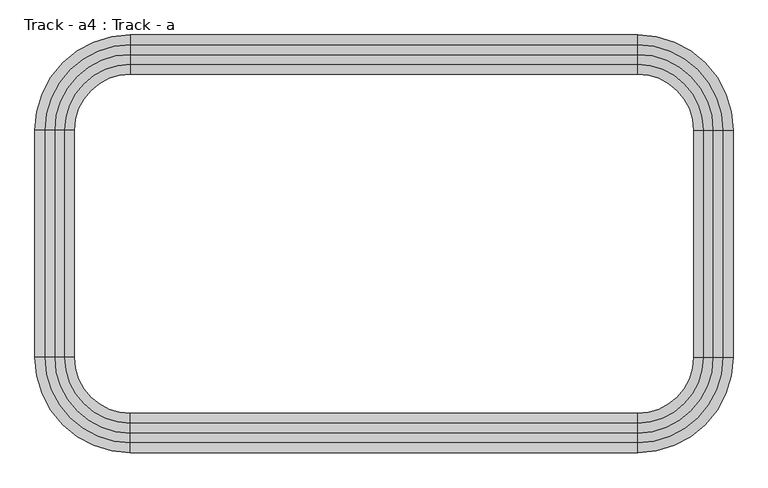
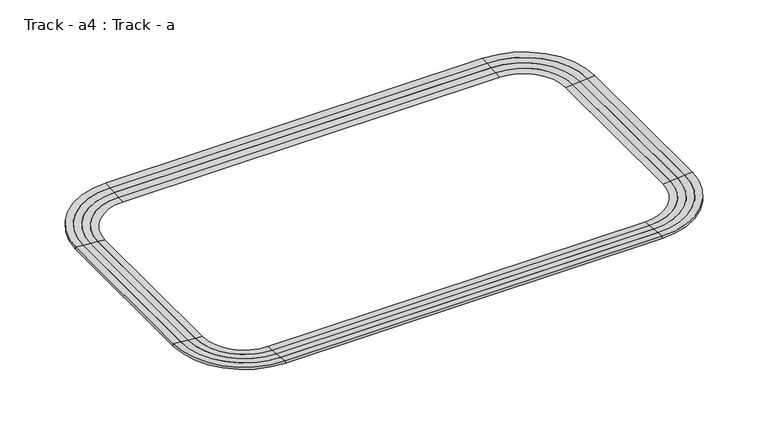
"""IFC4 building model written with IfcOpenShell, lengths in millimetres: proxy geometry, Track - a4 : Track - a."""

from ifc_helpers import new_model, si_unit, frame, origin, place, context, project, spatial, polyline, circle_curve, source, transform, mapped, element, save
from ifc_brep_helpers import plane_surface, cylinder_surface, revolved_surface, advanced_brep


def track_a4_track_a_e07d0398(model_context):
    return source(origin(), model_context, "Body", "AdvancedBrep", [
        advanced_brep(
        [(660496.6254676, -259969.8080223, 4775.2), (650133.4254676, -249606.6080223, 4775.2), (650133.4254676, -250673.4080223, 4686.3), (659429.8254676, -259969.8080223, 4686.3), (660496.6254676, -259969.8080223, 4419.6), (650133.4254676, -249606.6080223, 4419.6), (650133.4254676, -250673.4080223, 4419.6), (659429.8254676, -259969.8080223, 4419.6), (659429.8254676, -284658.6080223, 4686.3), (660496.6254676, -284658.6080223, 4775.2), (660496.6254676, -284658.6080223, 4419.6), (659429.8254676, -284658.6080223, 4419.6), (650133.4254676, -295021.8080223, 4775.2), (650133.4254676, -293955.0080223, 4686.3), (650133.4254676, -295021.8080223, 4419.6), (650133.4254676, -293955.0080223, 4419.6), (594964.6254676, -293955.0080223, 4686.3), (594964.6254676, -295021.8080223, 4775.2), (594964.6254676, -295021.8080223, 4419.6), (594964.6254676, -293955.0080223, 4419.6), (584601.4254676, -284658.6080223, 4775.2), (585668.2254676, -284658.6080223, 4686.3), (584601.4254676, -284658.6080223, 4419.6), (585668.2254676, -284658.6080223, 4419.6), (585668.2254676, -259969.8080223, 4686.3), (584601.4254676, -259969.8080223, 4775.2), (584601.4254676, -259969.8080223, 4419.6), (585668.2254676, -259969.8080223, 4419.6), (594964.6254676, -249606.6080223, 4775.2), (594964.6254676, -250673.4080223, 4686.3), (594964.6254676, -249606.6080223, 4419.6), (594964.6254676, -250673.4080223, 4419.6)],
        [
            (0, 1, circle_curve(frame((650133.4254676, -259969.8080223, 4775.2), z_axis=(0.0, 0.0, 1.0), x_axis=(0.0, 1.0, 0.0)), 10363.2)),
            (1, 2),
            (2, 3, circle_curve(frame((650133.4254676, -259969.8080223, 4686.3), z_axis=(0.0, 0.0, -1.0), x_axis=(0.0, 1.0, 0.0)), 9296.4)),
            (3, 0),
            (4, 5, circle_curve(frame((650133.4254676, -259969.8080223, 4419.6), z_axis=(0.0, 0.0, 1.0), x_axis=(0.0, 1.0, 0.0)), 10363.2)),
            (5, 1),
            (0, 4),
            (2, 6),
            (6, 7, circle_curve(frame((650133.4254676, -259969.8080223, 4419.6), z_axis=(0.0, 0.0, -1.0), x_axis=(0.0, 1.0, 0.0)), 9296.4)),
            (7, 3),
            (3, 8),
            (8, 9),
            (9, 0),
            (9, 10),
            (10, 4),
            (7, 11),
            (11, 8),
            (12, 9, circle_curve(frame((650133.4254676, -284658.6080223, 4775.2), z_axis=(0.0, 0.0, 1.0), x_axis=(1.0, 0.0, 0.0)), 10363.2)),
            (8, 13, circle_curve(frame((650133.4254676, -284658.6080223, 4686.3), z_axis=(0.0, 0.0, -1.0), x_axis=(1.0, 0.0, 0.0)), 9296.4)),
            (13, 12),
            (14, 10, circle_curve(frame((650133.4254676, -284658.6080223, 4419.6), z_axis=(0.0, 0.0, 1.0), x_axis=(1.0, 0.0, 0.0)), 10363.2)),
            (12, 14),
            (11, 15, circle_curve(frame((650133.4254676, -284658.6080223, 4419.6), z_axis=(0.0, 0.0, -1.0), x_axis=(1.0, 0.0, 0.0)), 9296.4)),
            (15, 13),
            (13, 16),
            (16, 17),
            (17, 12),
            (17, 18),
            (18, 14),
            (15, 19),
            (19, 16),
            (20, 17, circle_curve(frame((594964.6254676, -284658.6080223, 4775.2), z_axis=(0.0, 0.0, 1.0), x_axis=(0.0, -1.0, 0.0)), 10363.2)),
            (16, 21, circle_curve(frame((594964.6254676, -284658.6080223, 4686.3), z_axis=(0.0, 0.0, -1.0), x_axis=(0.0, -1.0, 0.0)), 9296.4)),
            (21, 20),
            (22, 18, circle_curve(frame((594964.6254676, -284658.6080223, 4419.6), z_axis=(0.0, 0.0, 1.0), x_axis=(0.0, -1.0, 0.0)), 10363.2)),
            (20, 22),
            (19, 23, circle_curve(frame((594964.6254676, -284658.6080223, 4419.6), z_axis=(0.0, 0.0, -1.0), x_axis=(0.0, -1.0, 0.0)), 9296.4)),
            (23, 21),
            (21, 24),
            (24, 25),
            (25, 20),
            (25, 26),
            (26, 22),
            (23, 27),
            (27, 24),
            (28, 25, circle_curve(frame((594964.6254676, -259969.8080223, 4775.2), z_axis=(0.0, 0.0, 1.0), x_axis=(-1.0, 0.0, 0.0)), 10363.2)),
            (24, 29, circle_curve(frame((594964.6254676, -259969.8080223, 4686.3), z_axis=(0.0, 0.0, -1.0), x_axis=(-1.0, 0.0, 0.0)), 9296.4)),
            (29, 28),
            (30, 26, circle_curve(frame((594964.6254676, -259969.8080223, 4419.6), z_axis=(0.0, 0.0, 1.0), x_axis=(-1.0, 0.0, 0.0)), 10363.2)),
            (28, 30),
            (27, 31, circle_curve(frame((594964.6254676, -259969.8080223, 4419.6), z_axis=(0.0, 0.0, -1.0), x_axis=(-1.0, 0.0, 0.0)), 9296.4)),
            (31, 29),
            (29, 2),
            (1, 28),
            (5, 30),
            (6, 31),
        ],
        [
            revolved_surface(polyline([(650133.4254676, -250673.4080223, 4686.3), (650133.4254676, -249606.6080223, 4775.2)]), (650133.4254676, -259969.8080223, 0.0), (0.0, 0.0, -1.0)),
            cylinder_surface(frame((650133.4254676, -259969.8080223, 0.0), z_axis=(0.0, 0.0, -1.0), x_axis=(0.0, 1.0, 0.0)), 10363.2),
            revolved_surface(polyline([(650133.4254676, -250673.40802230002, 4419.6), (650133.4254676, -250673.40802230002, 4686.3)]), (650133.4254676, -259969.8080223, 0.0), (0.0, 0.0, -1.0)),
            plane_surface(frame((659429.8254676, -259969.8080223, 4686.3), z_axis=(-0.08304547985373159, 0.0, 0.9965457582448803), x_axis=(0.0, -1.0, 0.0))),
            plane_surface(frame((660496.6254676, -259969.8080223, 4775.2), z_axis=(1.0, 0.0, 0.0), x_axis=(0.0, -1.0, 0.0))),
            plane_surface(frame((659429.8254676, -259969.8080223, 4419.6), z_axis=(-1.0, 0.0, 0.0), x_axis=(0.0, -1.0, 0.0))),
            revolved_surface(polyline([(659429.8254676, -284658.6080223, 4686.3), (660496.6254676, -284658.6080223, 4775.2)]), (650133.4254676, -284658.6080223, 0.0), (0.0, 0.0, -1.0)),
            cylinder_surface(frame((650133.4254676, -284658.6080223, 0.0), z_axis=(0.0, 0.0, -1.0), x_axis=(1.0, 0.0, 0.0)), 10363.2),
            revolved_surface(polyline([(659429.8254676, -284658.6080223, 4419.6), (659429.8254676, -284658.6080223, 4686.3)]), (650133.4254676, -284658.6080223, 0.0), (0.0, 0.0, -1.0)),
            plane_surface(frame((650133.4254676, -293955.0080223, 4686.3), z_axis=(0.0, 0.08304547985373159, 0.9965457582448803), x_axis=(-1.0, 0.0, 0.0))),
            plane_surface(frame((650133.4254676, -295021.8080223, 4775.2), z_axis=(0.0, -1.0, 0.0), x_axis=(-1.0, 0.0, 0.0))),
            plane_surface(frame((650133.4254676, -293955.0080223, 4419.6), z_axis=(0.0, 1.0, 0.0), x_axis=(-1.0, 0.0, 0.0))),
            revolved_surface(polyline([(594964.6254676, -293955.0080223, 4686.3), (594964.6254676, -295021.8080223, 4775.2)]), (594964.6254676, -284658.6080223, 0.0), (0.0, 0.0, -1.0)),
            cylinder_surface(frame((594964.6254676, -284658.6080223, 0.0), z_axis=(0.0, 0.0, -1.0), x_axis=(0.0, -1.0, 0.0)), 10363.2),
            revolved_surface(polyline([(594964.6254676, -293955.0080223, 4419.6), (594964.6254676, -293955.0080223, 4686.3)]), (594964.6254676, -284658.6080223, 0.0), (0.0, 0.0, -1.0)),
            plane_surface(frame((585668.2254676, -284658.6080223, 4686.3), z_axis=(0.08304547985373159, 0.0, 0.9965457582448803), x_axis=(0.0, 1.0, 0.0))),
            plane_surface(frame((584601.4254676, -284658.6080223, 4775.2), z_axis=(-1.0, 0.0, 0.0), x_axis=(0.0, 1.0, 0.0))),
            plane_surface(frame((585668.2254676, -284658.6080223, 4419.6), z_axis=(1.0, 0.0, 0.0), x_axis=(0.0, 1.0, 0.0))),
            revolved_surface(polyline([(585668.2254676, -259969.8080223, 4686.3), (584601.4254676, -259969.8080223, 4775.2)]), (594964.6254676, -259969.8080223, 0.0), (0.0, 0.0, -1.0)),
            cylinder_surface(frame((594964.6254676, -259969.8080223, 0.0), z_axis=(0.0, 0.0, -1.0), x_axis=(-1.0, 0.0, 0.0)), 10363.2),
            revolved_surface(polyline([(585668.2254675999, -259969.8080223, 4419.6), (585668.2254675999, -259969.8080223, 4686.3)]), (594964.6254676, -259969.8080223, 0.0), (0.0, 0.0, -1.0)),
            plane_surface(frame((594964.6254676, -250673.4080223, 4686.3), z_axis=(0.0, -0.08304547985373159, 0.9965457582448803), x_axis=(1.0, 0.0, 0.0))),
            plane_surface(frame((594964.6254676, -249606.6080223, 4775.2), z_axis=(0.0, 1.0, 0.0), x_axis=(1.0, 0.0, 0.0))),
            plane_surface(frame((594964.6254676, -249606.6080223, 4419.6), z_axis=(0.0, 0.0, -1.0), x_axis=(1.0, 0.0, 0.0))),
            plane_surface(frame((594964.6254676, -250673.4080223, 4419.6), z_axis=(0.0, -1.0, 0.0), x_axis=(1.0, 0.0, 0.0))),
        ],
        [
            (0, [[1, 2, 3, 4]]),
            (1, [[5, 6, -1, 7]]),
            (2, [[-3, 8, 9, 10]]),
            (3, [[-4, 11, 12, 13]]),
            (4, [[-7, -13, 14, 15]]),
            (5, [[-10, 16, 17, -11]]),
            (6, [[18, -12, 19, 20]]),
            (7, [[21, -14, -18, 22]]),
            (8, [[-19, -17, 23, 24]]),
            (9, [[-20, 25, 26, 27]]),
            (10, [[-22, -27, 28, 29]]),
            (11, [[-24, 30, 31, -25]]),
            (12, [[32, -26, 33, 34]]),
            (13, [[35, -28, -32, 36]]),
            (14, [[-33, -31, 37, 38]]),
            (15, [[-34, 39, 40, 41]]),
            (16, [[-36, -41, 42, 43]]),
            (17, [[-38, 44, 45, -39]]),
            (18, [[46, -40, 47, 48]]),
            (19, [[49, -42, -46, 50]]),
            (20, [[-47, -45, 51, 52]]),
            (21, [[-48, 53, -2, 54]]),
            (22, [[-50, -54, -6, 55]]),
            (23, [[-43, -49, -55, -5, -15, -21, -29, -35], [56, -51, -44, -37, -30, -23, -16, -9]]),
            (24, [[-52, -56, -8, -53]]),
        ],
    ),
        advanced_brep(
        [(659429.8254676, -259969.8080223, 4686.3), (650133.4254676, -250673.4080223, 4686.3), (650133.4254676, -251740.2080223, 4597.4), (658363.0254676, -259969.8080223, 4597.4), (659429.8254676, -259969.8080223, 4419.6), (650133.4254676, -250673.4080223, 4419.6), (650133.4254676, -251740.2080223, 4419.6), (658363.0254676, -259969.8080223, 4419.6), (658363.0254676, -284658.6080223, 4597.4), (659429.8254676, -284658.6080223, 4686.3), (659429.8254676, -284658.6080223, 4419.6), (658363.0254676, -284658.6080223, 4419.6), (650133.4254676, -293955.0080223, 4686.3), (650133.4254676, -292888.2080223, 4597.4), (650133.4254676, -293955.0080223, 4419.6), (650133.4254676, -292888.2080223, 4419.6), (594964.6254676, -292888.2080223, 4597.4), (594964.6254676, -293955.0080223, 4686.3), (594964.6254676, -293955.0080223, 4419.6), (594964.6254676, -292888.2080223, 4419.6), (585668.2254676, -284658.6080223, 4686.3), (586735.0254676, -284658.6080223, 4597.4), (585668.2254676, -284658.6080223, 4419.6), (586735.0254676, -284658.6080223, 4419.6), (586735.0254676, -259969.8080223, 4597.4), (585668.2254676, -259969.8080223, 4686.3), (585668.2254676, -259969.8080223, 4419.6), (586735.0254676, -259969.8080223, 4419.6), (594964.6254676, -250673.4080223, 4686.3), (594964.6254676, -251740.2080223, 4597.4), (594964.6254676, -250673.4080223, 4419.6), (594964.6254676, -251740.2080223, 4419.6)],
        [
            (0, 1, circle_curve(frame((650133.4254676, -259969.8080223, 4686.3), z_axis=(0.0, 0.0, 1.0), x_axis=(0.0, 1.0, 0.0)), 9296.4)),
            (1, 2),
            (2, 3, circle_curve(frame((650133.4254676, -259969.8080223, 4597.4), z_axis=(0.0, 0.0, -1.0), x_axis=(0.0, 1.0, 0.0)), 8229.6)),
            (3, 0),
            (4, 5, circle_curve(frame((650133.4254676, -259969.8080223, 4419.6), z_axis=(0.0, 0.0, 1.0), x_axis=(0.0, 1.0, 0.0)), 9296.4)),
            (5, 1),
            (0, 4),
            (2, 6),
            (6, 7, circle_curve(frame((650133.4254676, -259969.8080223, 4419.6), z_axis=(0.0, 0.0, -1.0), x_axis=(0.0, 1.0, 0.0)), 8229.6)),
            (7, 3),
            (3, 8),
            (8, 9),
            (9, 0),
            (9, 10),
            (10, 4),
            (7, 11),
            (11, 8),
            (12, 9, circle_curve(frame((650133.4254676, -284658.6080223, 4686.3), z_axis=(0.0, 0.0, 1.0), x_axis=(1.0, 0.0, 0.0)), 9296.4)),
            (8, 13, circle_curve(frame((650133.4254676, -284658.6080223, 4597.4), z_axis=(0.0, 0.0, -1.0), x_axis=(1.0, 0.0, 0.0)), 8229.6)),
            (13, 12),
            (14, 10, circle_curve(frame((650133.4254676, -284658.6080223, 4419.6), z_axis=(0.0, 0.0, 1.0), x_axis=(1.0, 0.0, 0.0)), 9296.4)),
            (12, 14),
            (11, 15, circle_curve(frame((650133.4254676, -284658.6080223, 4419.6), z_axis=(0.0, 0.0, -1.0), x_axis=(1.0, 0.0, 0.0)), 8229.6)),
            (15, 13),
            (13, 16),
            (16, 17),
            (17, 12),
            (17, 18),
            (18, 14),
            (15, 19),
            (19, 16),
            (20, 17, circle_curve(frame((594964.6254676, -284658.6080223, 4686.3), z_axis=(0.0, 0.0, 1.0), x_axis=(0.0, -1.0, 0.0)), 9296.4)),
            (16, 21, circle_curve(frame((594964.6254676, -284658.6080223, 4597.4), z_axis=(0.0, 0.0, -1.0), x_axis=(0.0, -1.0, 0.0)), 8229.6)),
            (21, 20),
            (22, 18, circle_curve(frame((594964.6254676, -284658.6080223, 4419.6), z_axis=(0.0, 0.0, 1.0), x_axis=(0.0, -1.0, 0.0)), 9296.4)),
            (20, 22),
            (19, 23, circle_curve(frame((594964.6254676, -284658.6080223, 4419.6), z_axis=(0.0, 0.0, -1.0), x_axis=(0.0, -1.0, 0.0)), 8229.6)),
            (23, 21),
            (21, 24),
            (24, 25),
            (25, 20),
            (25, 26),
            (26, 22),
            (23, 27),
            (27, 24),
            (28, 25, circle_curve(frame((594964.6254676, -259969.8080223, 4686.3), z_axis=(0.0, 0.0, 1.0), x_axis=(-1.0, 0.0, 0.0)), 9296.4)),
            (24, 29, circle_curve(frame((594964.6254676, -259969.8080223, 4597.4), z_axis=(0.0, 0.0, -1.0), x_axis=(-1.0, 0.0, 0.0)), 8229.6)),
            (29, 28),
            (30, 26, circle_curve(frame((594964.6254676, -259969.8080223, 4419.6), z_axis=(0.0, 0.0, 1.0), x_axis=(-1.0, 0.0, 0.0)), 9296.4)),
            (28, 30),
            (27, 31, circle_curve(frame((594964.6254676, -259969.8080223, 4419.6), z_axis=(0.0, 0.0, -1.0), x_axis=(-1.0, 0.0, 0.0)), 8229.6)),
            (31, 29),
            (29, 2),
            (1, 28),
            (5, 30),
            (6, 31),
        ],
        [
            revolved_surface(polyline([(650133.4254676, -251740.2080223, 4597.4), (650133.4254676, -250673.4080223, 4686.3)]), (650133.4254676, -259969.8080223, 0.0), (0.0, 0.0, -1.0)),
            cylinder_surface(frame((650133.4254676, -259969.8080223, 0.0), z_axis=(0.0, 0.0, -1.0), x_axis=(0.0, 1.0, 0.0)), 9296.4),
            revolved_surface(polyline([(650133.4254676, -251740.2080223, 4419.6), (650133.4254676, -251740.2080223, 4597.4)]), (650133.4254676, -259969.8080223, 0.0), (0.0, 0.0, -1.0)),
            plane_surface(frame((658363.0254676, -259969.8080223, 4597.4), z_axis=(-0.08304547985373473, 0.0, 0.9965457582448801), x_axis=(0.0, -1.0, 0.0))),
            plane_surface(frame((659429.8254676, -259969.8080223, 4686.3), z_axis=(1.0, 0.0, 0.0), x_axis=(0.0, -1.0, 0.0))),
            plane_surface(frame((658363.0254676, -259969.8080223, 4419.6), z_axis=(-1.0, 0.0, 0.0), x_axis=(0.0, -1.0, 0.0))),
            revolved_surface(polyline([(658363.0254676, -284658.6080223, 4597.4), (659429.8254676, -284658.6080223, 4686.3)]), (650133.4254676, -284658.6080223, 0.0), (0.0, 0.0, -1.0)),
            cylinder_surface(frame((650133.4254676, -284658.6080223, 0.0), z_axis=(0.0, 0.0, -1.0), x_axis=(1.0, 0.0, 0.0)), 9296.4),
            revolved_surface(polyline([(658363.0254676, -284658.6080223, 4419.6), (658363.0254676, -284658.6080223, 4597.4)]), (650133.4254676, -284658.6080223, 0.0), (0.0, 0.0, -1.0)),
            plane_surface(frame((650133.4254676, -292888.2080223, 4597.4), z_axis=(0.0, 0.08304547985373473, 0.9965457582448801), x_axis=(-1.0, 0.0, 0.0))),
            plane_surface(frame((650133.4254676, -293955.0080223, 4686.3), z_axis=(0.0, -1.0, 0.0), x_axis=(-1.0, 0.0, 0.0))),
            plane_surface(frame((650133.4254676, -292888.2080223, 4419.6), z_axis=(0.0, 1.0, 0.0), x_axis=(-1.0, 0.0, 0.0))),
            revolved_surface(polyline([(594964.6254676, -292888.2080223, 4597.4), (594964.6254676, -293955.0080223, 4686.3)]), (594964.6254676, -284658.6080223, 0.0), (0.0, 0.0, -1.0)),
            cylinder_surface(frame((594964.6254676, -284658.6080223, 0.0), z_axis=(0.0, 0.0, -1.0), x_axis=(0.0, -1.0, 0.0)), 9296.4),
            revolved_surface(polyline([(594964.6254676, -292888.2080223, 4419.6), (594964.6254676, -292888.2080223, 4597.4)]), (594964.6254676, -284658.6080223, 0.0), (0.0, 0.0, -1.0)),
            plane_surface(frame((586735.0254676, -284658.6080223, 4597.4), z_axis=(0.08304547985373473, 0.0, 0.9965457582448801), x_axis=(0.0, 1.0, 0.0))),
            plane_surface(frame((585668.2254676, -284658.6080223, 4686.3), z_axis=(-1.0, 0.0, 0.0), x_axis=(0.0, 1.0, 0.0))),
            plane_surface(frame((586735.0254676, -284658.6080223, 4419.6), z_axis=(1.0, 0.0, 0.0), x_axis=(0.0, 1.0, 0.0))),
            revolved_surface(polyline([(586735.0254676, -259969.8080223, 4597.4), (585668.2254676, -259969.8080223, 4686.3)]), (594964.6254676, -259969.8080223, 0.0), (0.0, 0.0, -1.0)),
            cylinder_surface(frame((594964.6254676, -259969.8080223, 0.0), z_axis=(0.0, 0.0, -1.0), x_axis=(-1.0, 0.0, 0.0)), 9296.4),
            revolved_surface(polyline([(586735.0254676, -259969.8080223, 4419.6), (586735.0254676, -259969.8080223, 4597.4)]), (594964.6254676, -259969.8080223, 0.0), (0.0, 0.0, -1.0)),
            plane_surface(frame((594964.6254676, -251740.2080223, 4597.4), z_axis=(0.0, -0.08304547985373473, 0.9965457582448801), x_axis=(1.0, 0.0, 0.0))),
            plane_surface(frame((594964.6254676, -250673.4080223, 4686.3), z_axis=(0.0, 1.0, 0.0), x_axis=(1.0, 0.0, 0.0))),
            plane_surface(frame((594964.6254676, -250673.4080223, 4419.6), z_axis=(0.0, 0.0, -1.0), x_axis=(1.0, 0.0, 0.0))),
            plane_surface(frame((594964.6254676, -251740.2080223, 4419.6), z_axis=(0.0, -1.0, 0.0), x_axis=(1.0, 0.0, 0.0))),
        ],
        [
            (0, [[1, 2, 3, 4]]),
            (1, [[5, 6, -1, 7]]),
            (2, [[-3, 8, 9, 10]]),
            (3, [[-4, 11, 12, 13]]),
            (4, [[-7, -13, 14, 15]]),
            (5, [[-10, 16, 17, -11]]),
            (6, [[18, -12, 19, 20]]),
            (7, [[21, -14, -18, 22]]),
            (8, [[-19, -17, 23, 24]]),
            (9, [[-20, 25, 26, 27]]),
            (10, [[-22, -27, 28, 29]]),
            (11, [[-24, 30, 31, -25]]),
            (12, [[32, -26, 33, 34]]),
            (13, [[35, -28, -32, 36]]),
            (14, [[-33, -31, 37, 38]]),
            (15, [[-34, 39, 40, 41]]),
            (16, [[-36, -41, 42, 43]]),
            (17, [[-38, 44, 45, -39]]),
            (18, [[46, -40, 47, 48]]),
            (19, [[49, -42, -46, 50]]),
            (20, [[-47, -45, 51, 52]]),
            (21, [[-48, 53, -2, 54]]),
            (22, [[-50, -54, -6, 55]]),
            (23, [[-43, -49, -55, -5, -15, -21, -29, -35], [56, -51, -44, -37, -30, -23, -16, -9]]),
            (24, [[-52, -56, -8, -53]]),
        ],
    ),
        advanced_brep(
        [(658363.0254676, -259969.8080223, 4597.4), (650133.4254676, -251740.2080223, 4597.4), (650133.4254676, -252807.0080223, 4508.5), (657296.2254676, -259969.8080223, 4508.5), (658363.0254676, -259969.8080223, 4419.6), (650133.4254676, -251740.2080223, 4419.6), (650133.4254676, -252807.0080223, 4419.6), (657296.2254676, -259969.8080223, 4419.6), (657296.2254676, -284658.6080223, 4508.5), (658363.0254676, -284658.6080223, 4597.4), (658363.0254676, -284658.6080223, 4419.6), (657296.2254676, -284658.6080223, 4419.6), (650133.4254676, -292888.2080223, 4597.4), (650133.4254676, -291821.4080223, 4508.5), (650133.4254676, -292888.2080223, 4419.6), (650133.4254676, -291821.4080223, 4419.6), (594964.6254676, -291821.4080223, 4508.5), (594964.6254676, -292888.2080223, 4597.4), (594964.6254676, -292888.2080223, 4419.6), (594964.6254676, -291821.4080223, 4419.6), (586735.0254676, -284658.6080223, 4597.4), (587801.8254676, -284658.6080223, 4508.5), (586735.0254676, -284658.6080223, 4419.6), (587801.8254676, -284658.6080223, 4419.6), (587801.8254676, -259969.8080223, 4508.5), (586735.0254676, -259969.8080223, 4597.4), (586735.0254676, -259969.8080223, 4419.6), (587801.8254676, -259969.8080223, 4419.6), (594964.6254676, -251740.2080223, 4597.4), (594964.6254676, -252807.0080223, 4508.5), (594964.6254676, -251740.2080223, 4419.6), (594964.6254676, -252807.0080223, 4419.6)],
        [
            (0, 1, circle_curve(frame((650133.4254676, -259969.8080223, 4597.4), z_axis=(0.0, 0.0, 1.0), x_axis=(0.0, 1.0, 0.0)), 8229.6)),
            (1, 2),
            (2, 3, circle_curve(frame((650133.4254676, -259969.8080223, 4508.5), z_axis=(0.0, 0.0, -1.0), x_axis=(0.0, 1.0, 0.0)), 7162.8)),
            (3, 0),
            (4, 5, circle_curve(frame((650133.4254676, -259969.8080223, 4419.6), z_axis=(0.0, 0.0, 1.0), x_axis=(0.0, 1.0, 0.0)), 8229.6)),
            (5, 1),
            (0, 4),
            (2, 6),
            (6, 7, circle_curve(frame((650133.4254676, -259969.8080223, 4419.6), z_axis=(0.0, 0.0, -1.0), x_axis=(0.0, 1.0, 0.0)), 7162.8)),
            (7, 3),
            (3, 8),
            (8, 9),
            (9, 0),
            (9, 10),
            (10, 4),
            (7, 11),
            (11, 8),
            (12, 9, circle_curve(frame((650133.4254676, -284658.6080223, 4597.4), z_axis=(0.0, 0.0, 1.0), x_axis=(1.0, 0.0, 0.0)), 8229.6)),
            (8, 13, circle_curve(frame((650133.4254676, -284658.6080223, 4508.5), z_axis=(0.0, 0.0, -1.0), x_axis=(1.0, 0.0, 0.0)), 7162.8)),
            (13, 12),
            (14, 10, circle_curve(frame((650133.4254676, -284658.6080223, 4419.6), z_axis=(0.0, 0.0, 1.0), x_axis=(1.0, 0.0, 0.0)), 8229.6)),
            (12, 14),
            (11, 15, circle_curve(frame((650133.4254676, -284658.6080223, 4419.6), z_axis=(0.0, 0.0, -1.0), x_axis=(1.0, 0.0, 0.0)), 7162.8)),
            (15, 13),
            (13, 16),
            (16, 17),
            (17, 12),
            (17, 18),
            (18, 14),
            (15, 19),
            (19, 16),
            (20, 17, circle_curve(frame((594964.6254676, -284658.6080223, 4597.4), z_axis=(0.0, 0.0, 1.0), x_axis=(0.0, -1.0, 0.0)), 8229.6)),
            (16, 21, circle_curve(frame((594964.6254676, -284658.6080223, 4508.5), z_axis=(0.0, 0.0, -1.0), x_axis=(0.0, -1.0, 0.0)), 7162.8)),
            (21, 20),
            (22, 18, circle_curve(frame((594964.6254676, -284658.6080223, 4419.6), z_axis=(0.0, 0.0, 1.0), x_axis=(0.0, -1.0, 0.0)), 8229.6)),
            (20, 22),
            (19, 23, circle_curve(frame((594964.6254676, -284658.6080223, 4419.6), z_axis=(0.0, 0.0, -1.0), x_axis=(0.0, -1.0, 0.0)), 7162.8)),
            (23, 21),
            (21, 24),
            (24, 25),
            (25, 20),
            (25, 26),
            (26, 22),
            (23, 27),
            (27, 24),
            (28, 25, circle_curve(frame((594964.6254676, -259969.8080223, 4597.4), z_axis=(0.0, 0.0, 1.0), x_axis=(-1.0, 0.0, 0.0)), 8229.6)),
            (24, 29, circle_curve(frame((594964.6254676, -259969.8080223, 4508.5), z_axis=(0.0, 0.0, -1.0), x_axis=(-1.0, 0.0, 0.0)), 7162.8)),
            (29, 28),
            (30, 26, circle_curve(frame((594964.6254676, -259969.8080223, 4419.6), z_axis=(0.0, 0.0, 1.0), x_axis=(-1.0, 0.0, 0.0)), 8229.6)),
            (28, 30),
            (27, 31, circle_curve(frame((594964.6254676, -259969.8080223, 4419.6), z_axis=(0.0, 0.0, -1.0), x_axis=(-1.0, 0.0, 0.0)), 7162.8)),
            (31, 29),
            (29, 2),
            (1, 28),
            (5, 30),
            (6, 31),
        ],
        [
            revolved_surface(polyline([(650133.4254676, -252807.0080223, 4508.5), (650133.4254676, -251740.2080223, 4597.4)]), (650133.4254676, -259969.8080223, 0.0), (0.0, 0.0, -1.0)),
            cylinder_surface(frame((650133.4254676, -259969.8080223, 0.0), z_axis=(0.0, 0.0, -1.0), x_axis=(0.0, 1.0, 0.0)), 8229.6),
            revolved_surface(polyline([(650133.4254676, -252807.00802230003, 4419.6), (650133.4254676, -252807.00802230003, 4508.5)]), (650133.4254676, -259969.8080223, 0.0), (0.0, 0.0, -1.0)),
            plane_surface(frame((657296.2254676, -259969.8080223, 4508.5), z_axis=(-0.0830454798537369, 0.0, 0.9965457582448799), x_axis=(0.0, -1.0, 0.0))),
            plane_surface(frame((658363.0254676, -259969.8080223, 4597.4), z_axis=(1.0, 0.0, 0.0), x_axis=(0.0, -1.0, 0.0))),
            plane_surface(frame((657296.2254676, -259969.8080223, 4419.6), z_axis=(-1.0, 0.0, 0.0), x_axis=(0.0, -1.0, 0.0))),
            revolved_surface(polyline([(657296.2254676, -284658.6080223, 4508.5), (658363.0254676, -284658.6080223, 4597.4)]), (650133.4254676, -284658.6080223, 0.0), (0.0, 0.0, -1.0)),
            cylinder_surface(frame((650133.4254676, -284658.6080223, 0.0), z_axis=(0.0, 0.0, -1.0), x_axis=(1.0, 0.0, 0.0)), 8229.6),
            revolved_surface(polyline([(657296.2254676, -284658.6080223, 4419.6), (657296.2254676, -284658.6080223, 4508.5)]), (650133.4254676, -284658.6080223, 0.0), (0.0, 0.0, -1.0)),
            plane_surface(frame((650133.4254676, -291821.4080223, 4508.5), z_axis=(0.0, 0.0830454798537369, 0.9965457582448799), x_axis=(-1.0, 0.0, 0.0))),
            plane_surface(frame((650133.4254676, -292888.2080223, 4597.4), z_axis=(0.0, -1.0, 0.0), x_axis=(-1.0, 0.0, 0.0))),
            plane_surface(frame((650133.4254676, -291821.4080223, 4419.6), z_axis=(0.0, 1.0, 0.0), x_axis=(-1.0, 0.0, 0.0))),
            revolved_surface(polyline([(594964.6254676, -291821.4080223, 4508.5), (594964.6254676, -292888.2080223, 4597.4)]), (594964.6254676, -284658.6080223, 0.0), (0.0, 0.0, -1.0)),
            cylinder_surface(frame((594964.6254676, -284658.6080223, 0.0), z_axis=(0.0, 0.0, -1.0), x_axis=(0.0, -1.0, 0.0)), 8229.6),
            revolved_surface(polyline([(594964.6254676, -291821.4080223, 4419.6), (594964.6254676, -291821.4080223, 4508.5)]), (594964.6254676, -284658.6080223, 0.0), (0.0, 0.0, -1.0)),
            plane_surface(frame((587801.8254676, -284658.6080223, 4508.5), z_axis=(0.0830454798537369, 0.0, 0.9965457582448799), x_axis=(0.0, 1.0, 0.0))),
            plane_surface(frame((586735.0254676, -284658.6080223, 4597.4), z_axis=(-1.0, 0.0, 0.0), x_axis=(0.0, 1.0, 0.0))),
            plane_surface(frame((587801.8254676, -284658.6080223, 4419.6), z_axis=(1.0, 0.0, 0.0), x_axis=(0.0, 1.0, 0.0))),
            revolved_surface(polyline([(587801.8254676, -259969.8080223, 4508.5), (586735.0254676, -259969.8080223, 4597.4)]), (594964.6254676, -259969.8080223, 0.0), (0.0, 0.0, -1.0)),
            cylinder_surface(frame((594964.6254676, -259969.8080223, 0.0), z_axis=(0.0, 0.0, -1.0), x_axis=(-1.0, 0.0, 0.0)), 8229.6),
            revolved_surface(polyline([(587801.8254675999, -259969.8080223, 4419.6), (587801.8254675999, -259969.8080223, 4508.5)]), (594964.6254676, -259969.8080223, 0.0), (0.0, 0.0, -1.0)),
            plane_surface(frame((594964.6254676, -252807.0080223, 4508.5), z_axis=(0.0, -0.0830454798537369, 0.9965457582448799), x_axis=(1.0, 0.0, 0.0))),
            plane_surface(frame((594964.6254676, -251740.2080223, 4597.4), z_axis=(0.0, 1.0, 0.0), x_axis=(1.0, 0.0, 0.0))),
            plane_surface(frame((594964.6254676, -251740.2080223, 4419.6), z_axis=(0.0, 0.0, -1.0), x_axis=(1.0, 0.0, 0.0))),
            plane_surface(frame((594964.6254676, -252807.0080223, 4419.6), z_axis=(0.0, -1.0, 0.0), x_axis=(1.0, 0.0, 0.0))),
        ],
        [
            (0, [[1, 2, 3, 4]]),
            (1, [[5, 6, -1, 7]]),
            (2, [[-3, 8, 9, 10]]),
            (3, [[-4, 11, 12, 13]]),
            (4, [[-7, -13, 14, 15]]),
            (5, [[-10, 16, 17, -11]]),
            (6, [[18, -12, 19, 20]]),
            (7, [[21, -14, -18, 22]]),
            (8, [[-19, -17, 23, 24]]),
            (9, [[-20, 25, 26, 27]]),
            (10, [[-22, -27, 28, 29]]),
            (11, [[-24, 30, 31, -25]]),
            (12, [[32, -26, 33, 34]]),
            (13, [[35, -28, -32, 36]]),
            (14, [[-33, -31, 37, 38]]),
            (15, [[-34, 39, 40, 41]]),
            (16, [[-36, -41, 42, 43]]),
            (17, [[-38, 44, 45, -39]]),
            (18, [[46, -40, 47, 48]]),
            (19, [[49, -42, -46, 50]]),
            (20, [[-47, -45, 51, 52]]),
            (21, [[-48, 53, -2, 54]]),
            (22, [[-50, -54, -6, 55]]),
            (23, [[-43, -49, -55, -5, -15, -21, -29, -35], [56, -51, -44, -37, -30, -23, -16, -9]]),
            (24, [[-52, -56, -8, -53]]),
        ],
    ),
        advanced_brep(
        [(657296.2254676, -259969.8080223, 4508.5), (650133.4254676, -252807.0080223, 4508.5), (650133.4254676, -253873.8080223, 4419.6), (656229.4254676, -259969.8080223, 4419.6), (657296.2254676, -259969.8080223, 4419.6), (650133.4254676, -252807.0080223, 4419.6), (656229.4254676, -284658.6080223, 4419.6), (657296.2254676, -284658.6080223, 4508.5), (657296.2254676, -284658.6080223, 4419.6), (650133.4254676, -291821.4080223, 4508.5), (650133.4254676, -290754.6080223, 4419.6), (650133.4254676, -291821.4080223, 4419.6), (594964.6254676, -290754.6080223, 4419.6), (594964.6254676, -291821.4080223, 4508.5), (594964.6254676, -291821.4080223, 4419.6), (587801.8254676, -284658.6080223, 4508.5), (588868.6254676, -284658.6080223, 4419.6), (587801.8254676, -284658.6080223, 4419.6), (588868.6254676, -259969.8080223, 4419.6), (587801.8254676, -259969.8080223, 4508.5), (587801.8254676, -259969.8080223, 4419.6), (594964.6254676, -252807.0080223, 4508.5), (594964.6254676, -253873.8080223, 4419.6), (594964.6254676, -252807.0080223, 4419.6)],
        [
            (0, 1, circle_curve(frame((650133.4254676, -259969.8080223, 4508.5), z_axis=(0.0, 0.0, 1.0), x_axis=(0.0, 1.0, 0.0)), 7162.8)),
            (1, 2),
            (2, 3, circle_curve(frame((650133.4254676, -259969.8080223, 4419.6), z_axis=(0.0, 0.0, -1.0), x_axis=(0.0, 1.0, 0.0)), 6096.0)),
            (3, 0),
            (4, 5, circle_curve(frame((650133.4254676, -259969.8080223, 4419.6), z_axis=(0.0, 0.0, 1.0), x_axis=(0.0, 1.0, 0.0)), 7162.8)),
            (5, 1),
            (0, 4),
            (3, 6),
            (6, 7),
            (7, 0),
            (7, 8),
            (8, 4),
            (9, 7, circle_curve(frame((650133.4254676, -284658.6080223, 4508.5), z_axis=(0.0, 0.0, 1.0), x_axis=(1.0, 0.0, 0.0)), 7162.8)),
            (6, 10, circle_curve(frame((650133.4254676, -284658.6080223, 4419.6), z_axis=(0.0, 0.0, -1.0), x_axis=(1.0, 0.0, 0.0)), 6096.0)),
            (10, 9),
            (11, 8, circle_curve(frame((650133.4254676, -284658.6080223, 4419.6), z_axis=(0.0, 0.0, 1.0), x_axis=(1.0, 0.0, 0.0)), 7162.8)),
            (9, 11),
            (10, 12),
            (12, 13),
            (13, 9),
            (13, 14),
            (14, 11),
            (15, 13, circle_curve(frame((594964.6254676, -284658.6080223, 4508.5), z_axis=(0.0, 0.0, 1.0), x_axis=(0.0, -1.0, 0.0)), 7162.8)),
            (12, 16, circle_curve(frame((594964.6254676, -284658.6080223, 4419.6), z_axis=(0.0, 0.0, -1.0), x_axis=(0.0, -1.0, 0.0)), 6096.0)),
            (16, 15),
            (17, 14, circle_curve(frame((594964.6254676, -284658.6080223, 4419.6), z_axis=(0.0, 0.0, 1.0), x_axis=(0.0, -1.0, 0.0)), 7162.8)),
            (15, 17),
            (16, 18),
            (18, 19),
            (19, 15),
            (19, 20),
            (20, 17),
            (21, 19, circle_curve(frame((594964.6254676, -259969.8080223, 4508.5), z_axis=(0.0, 0.0, 1.0), x_axis=(-1.0, 0.0, 0.0)), 7162.8)),
            (18, 22, circle_curve(frame((594964.6254676, -259969.8080223, 4419.6), z_axis=(0.0, 0.0, -1.0), x_axis=(-1.0, 0.0, 0.0)), 6096.0)),
            (22, 21),
            (23, 20, circle_curve(frame((594964.6254676, -259969.8080223, 4419.6), z_axis=(0.0, 0.0, 1.0), x_axis=(-1.0, 0.0, 0.0)), 7162.8)),
            (21, 23),
            (23, 5),
            (2, 22),
            (1, 21),
        ],
        [
            revolved_surface(polyline([(650133.4254676, -253873.8080223, 4419.6), (650133.4254676, -252807.0080223, 4508.5)]), (650133.4254676, -259969.8080223, 0.0), (0.0, 0.0, -1.0)),
            cylinder_surface(frame((650133.4254676, -259969.8080223, 0.0), z_axis=(0.0, 0.0, -1.0), x_axis=(0.0, 1.0, 0.0)), 7162.8),
            plane_surface(frame((656229.4254676, -259969.8080223, 4419.6), z_axis=(-0.08304547985373992, 0.0, 0.9965457582448797), x_axis=(0.0, -1.0, 0.0))),
            plane_surface(frame((657296.2254676, -259969.8080223, 4508.5), z_axis=(1.0, 0.0, 0.0), x_axis=(0.0, -1.0, 0.0))),
            revolved_surface(polyline([(656229.4254676, -284658.6080223, 4419.6), (657296.2254676, -284658.6080223, 4508.5)]), (650133.4254676, -284658.6080223, 0.0), (0.0, 0.0, -1.0)),
            cylinder_surface(frame((650133.4254676, -284658.6080223, 0.0), z_axis=(0.0, 0.0, -1.0), x_axis=(1.0, 0.0, 0.0)), 7162.8),
            plane_surface(frame((650133.4254676, -290754.6080223, 4419.6), z_axis=(0.0, 0.08304547985373992, 0.9965457582448797), x_axis=(-1.0, 0.0, 0.0))),
            plane_surface(frame((650133.4254676, -291821.4080223, 4508.5), z_axis=(0.0, -1.0, 0.0), x_axis=(-1.0, 0.0, 0.0))),
            revolved_surface(polyline([(594964.6254676, -290754.6080223, 4419.6), (594964.6254676, -291821.4080223, 4508.5)]), (594964.6254676, -284658.6080223, 0.0), (0.0, 0.0, -1.0)),
            cylinder_surface(frame((594964.6254676, -284658.6080223, 0.0), z_axis=(0.0, 0.0, -1.0), x_axis=(0.0, -1.0, 0.0)), 7162.8),
            plane_surface(frame((588868.6254676, -284658.6080223, 4419.6), z_axis=(0.08304547985373992, 0.0, 0.9965457582448797), x_axis=(0.0, 1.0, 0.0))),
            plane_surface(frame((587801.8254676, -284658.6080223, 4508.5), z_axis=(-1.0, 0.0, 0.0), x_axis=(0.0, 1.0, 0.0))),
            revolved_surface(polyline([(588868.6254676, -259969.8080223, 4419.6), (587801.8254676, -259969.8080223, 4508.5)]), (594964.6254676, -259969.8080223, 0.0), (0.0, 0.0, -1.0)),
            cylinder_surface(frame((594964.6254676, -259969.8080223, 0.0), z_axis=(0.0, 0.0, -1.0), x_axis=(-1.0, 0.0, 0.0)), 7162.8),
            plane_surface(frame((594964.6254676, -252807.0080223, 4419.6), z_axis=(0.0, 0.0, -1.0), x_axis=(1.0, 0.0, 0.0))),
            plane_surface(frame((594964.6254676, -253873.8080223, 4419.6), z_axis=(0.0, -0.08304547985373992, 0.9965457582448797), x_axis=(1.0, 0.0, 0.0))),
            plane_surface(frame((594964.6254676, -252807.0080223, 4508.5), z_axis=(0.0, 1.0, 0.0), x_axis=(1.0, 0.0, 0.0))),
        ],
        [
            (0, [[1, 2, 3, 4]]),
            (1, [[5, 6, -1, 7]]),
            (2, [[-4, 8, 9, 10]]),
            (3, [[-7, -10, 11, 12]]),
            (4, [[13, -9, 14, 15]]),
            (5, [[16, -11, -13, 17]]),
            (6, [[-15, 18, 19, 20]]),
            (7, [[-17, -20, 21, 22]]),
            (8, [[23, -19, 24, 25]]),
            (9, [[26, -21, -23, 27]]),
            (10, [[-25, 28, 29, 30]]),
            (11, [[-27, -30, 31, 32]]),
            (12, [[33, -29, 34, 35]]),
            (13, [[36, -31, -33, 37]]),
            (14, [[-32, -36, 38, -5, -12, -16, -22, -26], [39, -34, -28, -24, -18, -14, -8, -3]]),
            (15, [[-35, -39, -2, 40]]),
            (16, [[-37, -40, -6, -38]]),
        ],
    ),
    ])


if __name__ == "__main__":
    model = new_model("IFC4")
    model_context = context("Model", 3, world=origin())
    ifc_project = project(units=[si_unit("LENGTHUNIT", "METRE", prefix="MILLI")], contexts=[model_context])
    site = spatial("IfcSite", under=ifc_project)
    building = spatial("IfcBuilding", under=site)
    placement = place(None, origin())
    track_a4_track_a_shape = track_a4_track_a_e07d0398(model_context)
    element("IfcBuildingElementProxy", 1, Name="Track - a4 : Track - a", ObjectType="Track - a4 : Track - a", at=placement, inside=building, context=model_context, shape_type="MappedRepresentation", body=[
        mapped(track_a4_track_a_shape, transform((0.0, 0.0, 0.0), x_axis=(1.0, 0.0, 0.0), y_axis=(0.0, 1.0, 0.0), z_axis=(0.0, 0.0, 1.0))),
    ])
    save(model, "model.ifc")
